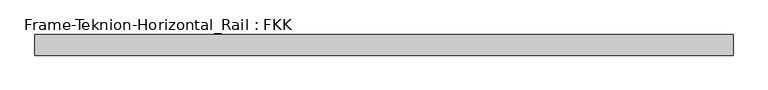
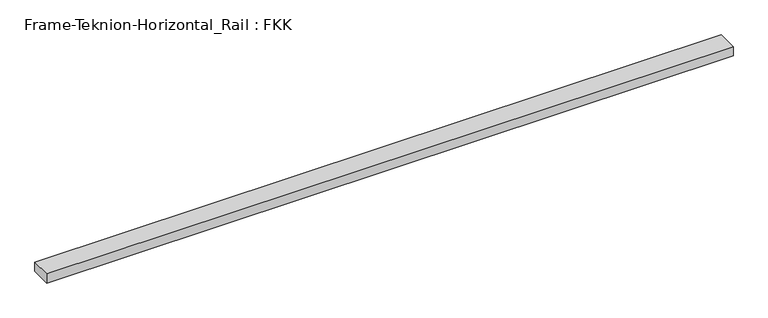
"""IFC4 building model written with IfcOpenShell, lengths in millimetres: proxy geometry, Frame-Teknion-Horizontal_Rail : FKK."""

from ifc_helpers import new_model, si_unit, frame, origin, place, context, project, spatial, polyline, outline, extrude, source, transform, mapped, element, save


def frame_teknion_horizontal_rail_fkk_86cbbdfc(model_context):
    return source(origin(), model_context, "Body", "SweptSolid", [
        extrude(outline(polyline([(-988.0203125, -29.2199219), (-988.0203125, 29.2199219), (988.0203125, 29.2199219), (988.0203125, -29.2199219), (-988.0203125, -29.2199219)])), frame((0.0, 0.0, -13.9898438), z_axis=(0.0, 0.0, 1.0), x_axis=(1.0, 0.0, 0.0)), (0.0, 0.0, 1.0), 27.9796875),
    ])


if __name__ == "__main__":
    model = new_model("IFC4")
    model_context = context("Model", 3, world=origin())
    ifc_project = project(units=[si_unit("LENGTHUNIT", "METRE", prefix="MILLI")], contexts=[model_context])
    site = spatial("IfcSite", under=ifc_project)
    building = spatial("IfcBuilding", under=site)
    placement = place(None, origin())
    frame_teknion_horizontal_rail_fkk_shape = frame_teknion_horizontal_rail_fkk_86cbbdfc(model_context)
    element("IfcBuildingElementProxy", 1, Name="Frame-Teknion-Horizontal_Rail : FKK", ObjectType="Frame-Teknion-Horizontal_Rail : FKK", at=placement, inside=building, context=model_context, shape_type="MappedRepresentation", body=[
        mapped(frame_teknion_horizontal_rail_fkk_shape, transform((0.0, 0.0, 0.0), x_axis=(1.0, 0.0, 0.0), y_axis=(0.0, 1.0, 0.0), z_axis=(0.0, 0.0, 1.0))),
    ])
    save(model, "model.ifc")
